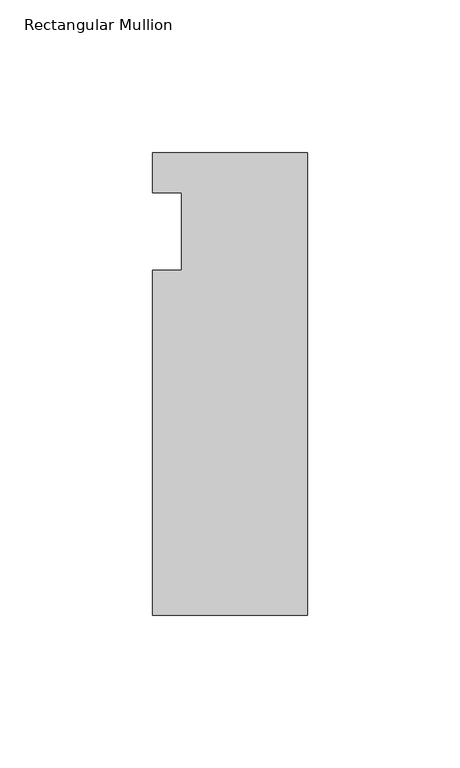
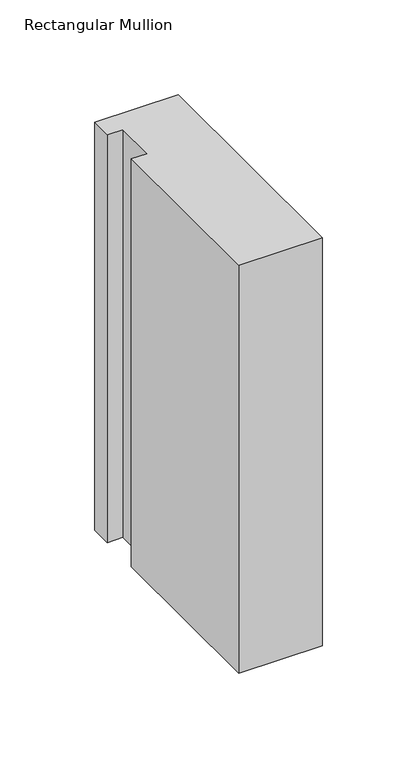
"""IFC4 building model written with IfcOpenShell, lengths in millimetres: member geometry, Rectangular Mullion."""

from ifc_helpers import new_model, si_unit, frame, origin, place, context, project, spatial, polyline, outline, extrude, source, transform, mapped, element, save


def rectangular_mullion_54638196(model_context):
    return source(origin(), model_context, "Body", "SweptSolid", [
        extrude(outline(polyline([(-50.8, 25.7961253), (0.0, 25.7961253), (0.0, -125.8036906), (-50.8, -125.8036906), (-50.8, -12.7), (-41.275, -12.7), (-41.275, 12.7), (-50.8, 12.7), (-50.8, 25.7961253)])), frame((0.0, 0.0, -262.4666667), z_axis=(0.0, 0.0, 1.0), x_axis=(1.0, 0.0, 0.0)), (0.0, 0.0, 1.0), 262.4666667),
    ])


if __name__ == "__main__":
    model = new_model("IFC4")
    model_context = context("Model", 3, world=origin())
    ifc_project = project(units=[si_unit("LENGTHUNIT", "METRE", prefix="MILLI")], contexts=[model_context])
    site = spatial("IfcSite", under=ifc_project)
    building = spatial("IfcBuilding", under=site)
    placement = place(None, origin())
    rectangular_mullion_shape = rectangular_mullion_54638196(model_context)
    element("IfcMember", 1, ObjectType="Rectangular Mullion", at=placement, inside=building, context=model_context, shape_type="MappedRepresentation", body=[
        mapped(rectangular_mullion_shape, transform((0.0, 0.0, 0.0), x_axis=(1.0, 0.0, 0.0), y_axis=(0.0, 1.0, 0.0), z_axis=(0.0, 0.0, 1.0))),
    ])
    save(model, "model.ifc")
